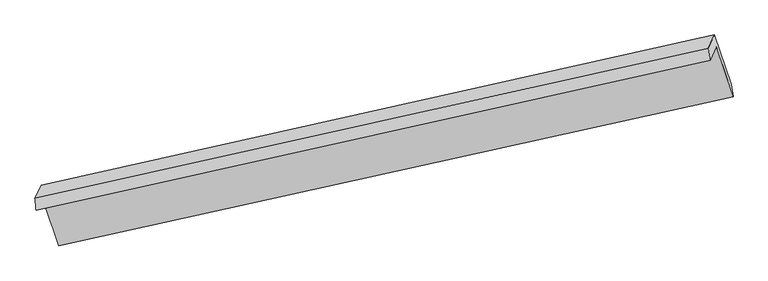
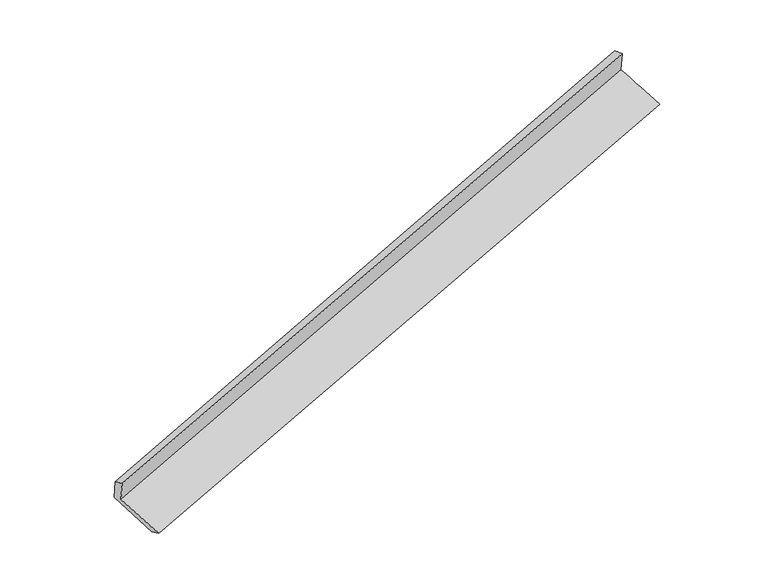
"""IFC4 building model written with IfcOpenShell, lengths in millimetres: proxy geometry."""

from ifc_helpers import new_model, si_unit, frame, origin, place, context, project, spatial, source, transform, mapped, element, save
from ifc_brep_helpers import plane_surface, spline_surface, advanced_brep


def generic_models_ef430179(model_context):
    return source(origin(), model_context, "Body", "AdvancedBrep", [
        advanced_brep(
        [(-7567.1090562, -2504.7418117, 900.682311), (-7482.869299, -2323.6219133, 494.1980814), (1687.5646783, -283.0511848, 3305.8875358), (1603.3249211, -464.1710833, 3712.3717654), (-7583.2032097, -2343.9514821, 837.7641091), (1578.3504201, -298.1316296, 3672.2364951), (-7499.7350522, -2164.4905634, 435.0030988), (1661.8185776, -118.6707109, 3269.4754848), (-7277.4637686, -2829.5076866, 184.7504507), (1890.6928343, -791.8168873, 3016.9691197), (-7260.3217971, -2989.4654588, 243.6344422), (1916.7195892, -957.0227984, 3053.0715378)],
        [
            (0, 1),
            (1, 2),
            (2, 3),
            (3, 0),
            (4, 0),
            (3, 5),
            (5, 4),
            (6, 4),
            (5, 7),
            (7, 6),
            (8, 6),
            (7, 9),
            (9, 8),
            (10, 8),
            (9, 11),
            (11, 10),
            (1, 10),
            (11, 2),
        ],
        [
            plane_surface(frame((-7524.9891776, -2414.1818625, 697.4401962), z_axis=(0.30141229846129025, -0.8926088991927011, -0.335261061589736), x_axis=(0.18599545086081326, 0.3998999796287798, -0.8974885506523103))),
            spline_surface(1, 1, [[(-7583.2032097, -2343.9514821, 837.7641091), (1578.3504201, -298.1316296, 3672.2364951)], [(-7567.1090562, -2504.7418117, 900.682311), (1603.3249211, -464.1710833, 3712.3717654)]], [2, 2], [2, 2], [0.0, 1.0], [0.0, 1.0]),
            plane_surface(frame((-7541.4691309, -2254.2210227, 636.3836039), z_axis=(-0.3028425242628475, 0.8922894284941916, 0.3348223130193325), x_axis=(-0.1859954508608832, -0.39989997962886004, 0.89748855065226))),
            spline_surface(1, 1, [[(-7277.4637686, -2829.5076866, 184.7504507), (1890.6928343, -791.8168873, 3016.9691197)], [(-7499.7350522, -2164.4905634, 435.0030988), (1661.8185776, -118.6707109, 3269.4754848)]], [2, 2], [2, 2], [0.0, 1.0], [0.0, 1.0]),
            spline_surface(1, 1, [[(-7260.3217971, -2989.4654588, 243.6344422), (1916.7195892, -957.0227984, 3053.0715378)], [(-7277.4637686, -2829.5076866, 184.7504507), (1890.6928343, -791.8168873, 3016.9691197)]], [2, 2], [2, 2], [0.0, 1.0], [0.0, 1.0]),
            spline_surface(1, 1, [[(-7482.869299, -2323.6219133, 494.1980814), (1687.5646783, -283.0511848, 3305.8875358)], [(-7260.3217971, -2989.4654588, 243.6344422), (1916.7195892, -957.0227984, 3053.0715378)]], [2, 2], [2, 2], [0.0, 1.0], [0.0, 1.0]),
            plane_surface(frame((1723.0785034, -485.4773824, 3338.3353231), z_axis=(0.934551700958411, 0.2100029295069502, 0.28724882564466625), x_axis=(-0.30334602435963115, 0.8921764264378209, 0.3346676166196032))),
            plane_surface(frame((-7445.1170305, -2525.9631526, 516.0054155), z_axis=(-0.9360943807577943, -0.2054268554475841, -0.2855295385325295), x_axis=(-0.18599545086076888, -0.39989997962882234, 0.8974885506523004))),
        ],
        [
            (0, [[1, 2, 3, 4]]),
            (1, [[5, -4, 6, 7]]),
            (2, [[8, -7, 9, 10]]),
            (3, [[11, -10, 12, 13]]),
            (4, [[14, -13, 15, 16]]),
            (5, [[17, -16, 18, -2]]),
            (6, [[-12, -9, -6, -3, -18, -15]]),
            (7, [[-1, -5, -8, -11, -14, -17]]),
        ],
    ),
    ])


if __name__ == "__main__":
    model = new_model("IFC4")
    model_context = context("Model", 3, world=origin())
    ifc_project = project(units=[si_unit("LENGTHUNIT", "METRE", prefix="MILLI")], contexts=[model_context])
    site = spatial("IfcSite", under=ifc_project)
    building = spatial("IfcBuilding", under=site)
    placement = place(None, origin())
    generic_models_shape = generic_models_ef430179(model_context)
    element("IfcBuildingElementProxy", 1, Name="Generic Models", at=placement, inside=building, context=model_context, shape_type="MappedRepresentation", body=[
        mapped(generic_models_shape, transform((0.0, 0.0, 0.0), x_axis=(1.0, 0.0, 0.0), y_axis=(0.0, 1.0, 0.0), z_axis=(0.0, 0.0, 1.0))),
    ])
    save(model, "model.ifc")
